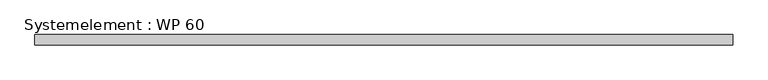
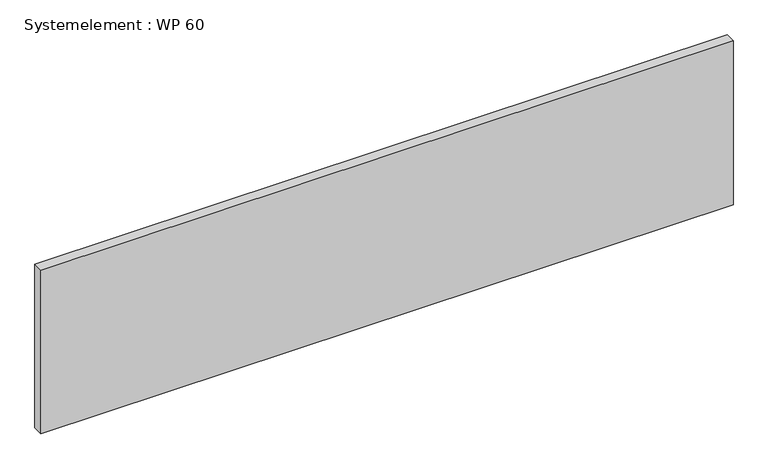
"""IFC4 building model written with IfcOpenShell, lengths in millimetres: plate geometry, Systemelement : WP 60."""

from ifc_helpers import new_model, si_unit, origin, origin_with_axes, place, context, project, spatial, polyline, outline, extrude, source, transform, mapped, element, save


def systemelement_wp_60_c810bc0e(model_context):
    return source(origin(), model_context, "Body", "SweptSolid", [
        extrude(outline(polyline([(2000.0, -60.0), (-2000.0, -60.0), (-2000.0, 0.0), (2000.0, 0.0), (2000.0, -60.0)])), origin_with_axes(), (0.0, 0.0, 1.0), 1000.0),
    ])


if __name__ == "__main__":
    model = new_model("IFC4")
    model_context = context("Model", 3, world=origin())
    ifc_project = project(units=[si_unit("LENGTHUNIT", "METRE", prefix="MILLI")], contexts=[model_context])
    site = spatial("IfcSite", under=ifc_project)
    building = spatial("IfcBuilding", under=site)
    placement = place(None, origin())
    systemelement_wp_60_shape = systemelement_wp_60_c810bc0e(model_context)
    element("IfcPlate", 1, ObjectType="Systemelement : WP 60", at=placement, inside=building, context=model_context, shape_type="MappedRepresentation", body=[
        mapped(systemelement_wp_60_shape, transform((0.0, 0.0, 0.0), x_axis=(1.0, 0.0, 0.0), y_axis=(0.0, 1.0, 0.0), z_axis=(0.0, 0.0, 1.0))),
    ])
    save(model, "model.ifc")
